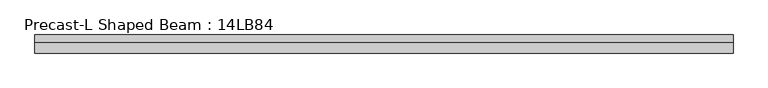
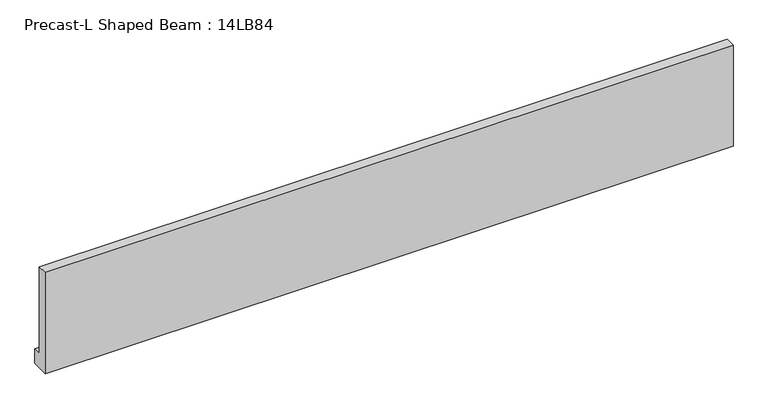
"""IFC4 building model written with IfcOpenShell, lengths in millimetres: beam geometry, Precast-L Shaped Beam : 14LB84."""

from ifc_helpers import new_model, si_unit, frame, origin, place, context, project, spatial, polyline, outline, extrude, source, transform, mapped, element, save


def precast_l_shaped_beam_14lb84_28675404(model_context):
    return source(origin(), model_context, "Body", "SweptSolid", [
        extrude(outline(polyline([(-177.8, -1066.8), (-177.8, 1066.8), (25.4, 1066.8), (25.4, -762.0), (177.8, -762.0), (177.8, -1066.8), (-177.8, -1066.8)])), frame((-6858.0, 0.0, 0.0), z_axis=(1.0, 0.0, 0.0), x_axis=(0.0, 1.0, 0.0)), (0.0, 0.0, 1.0), 13716.0),
    ])


if __name__ == "__main__":
    model = new_model("IFC4")
    model_context = context("Model", 3, world=origin())
    ifc_project = project(units=[si_unit("LENGTHUNIT", "METRE", prefix="MILLI")], contexts=[model_context])
    site = spatial("IfcSite", under=ifc_project)
    building = spatial("IfcBuilding", under=site)
    placement = place(None, origin())
    precast_l_shaped_beam_14lb84_shape = precast_l_shaped_beam_14lb84_28675404(model_context)
    element("IfcBeam", 1, ObjectType="Precast-L Shaped Beam : 14LB84", at=placement, inside=building, context=model_context, shape_type="MappedRepresentation", body=[
        mapped(precast_l_shaped_beam_14lb84_shape, transform((0.0, 0.0, 0.0), x_axis=(1.0, 0.0, 0.0), y_axis=(0.0, 1.0, 0.0), z_axis=(0.0, 0.0, 1.0))),
    ])
    save(model, "model.ifc")
